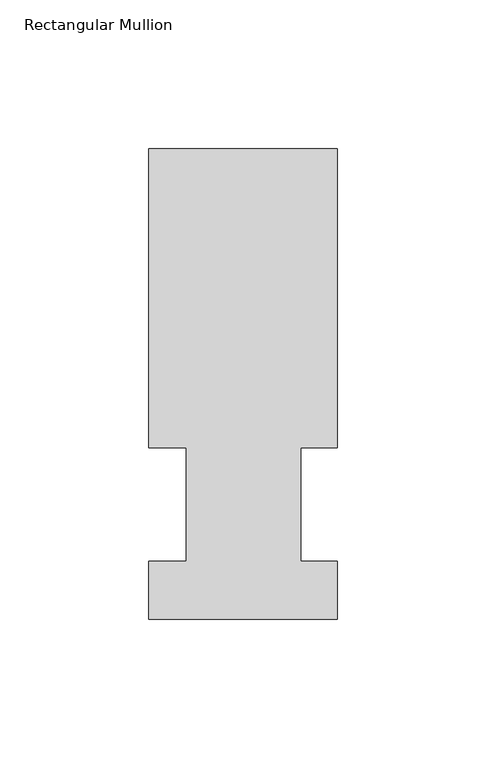
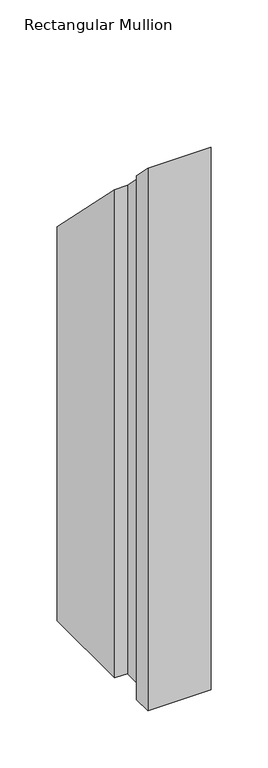
"""IFC4 building model written with IfcOpenShell, lengths in millimetres: member geometry, Rectangular Mullion."""

from ifc_helpers import new_model, si_unit, origin, place, context, project, spatial, faceted_brep, source, transform, mapped, element, save


def rectangular_mullion_2e0facb8(model_context):
    return source(origin(), model_context, "Body", "Brep", [
        faceted_brep([(-63.5, 57.6460937, -577.85), (-63.5, 158.3316937, -577.85), (0.0, 158.3316937, -577.85), (0.0, 57.6460937, -577.85), (-12.3418395, 57.6460937, -577.85), (-12.3418395, 19.5460937, -577.85), (0.0, 19.5460937, -577.85), (0.0, 0.0134937, -577.85), (-63.5, 0.0134937, -577.85), (-63.5, 19.5460937, -577.85), (-50.8, 19.5460937, -577.85), (-50.8, 57.6460937, -577.85), (-50.8, 57.6460937, -57.6460937), (-63.5, 57.6460937, -57.6460937), (-50.8, 19.5460937, -19.5460937), (-63.5, 19.5460937, -19.5460937), (-63.5, 0.0134937, -0.0134937), (0.0, 0.0134937, -0.0134937), (0.0, 19.5460937, -19.5460937), (-12.3418395, 19.5460937, -19.5460937), (-12.3418395, 57.6460937, -57.6460937), (0.0, 57.6460938, -57.6460937), (0.0, 158.3316937, -158.3316937), (-63.5, 158.3316937, -158.3316937)], [[[0, 1, 2, 3, 4, 5, 6, 7, 8, 9, 10, 11]], [[12, 13, 0, 11]], [[14, 12, 11, 10]], [[15, 14, 10, 9]], [[16, 15, 9, 8]], [[17, 16, 8, 7]], [[18, 17, 7, 6]], [[19, 18, 6, 5]], [[20, 19, 5, 4]], [[21, 20, 4, 3]], [[22, 21, 3, 2]], [[23, 22, 2, 1]], [[13, 23, 1, 0]], [[13, 12, 14, 15, 16, 17, 18, 19, 20, 21, 22, 23]]]),
    ])


if __name__ == "__main__":
    model = new_model("IFC4")
    model_context = context("Model", 3, world=origin())
    ifc_project = project(units=[si_unit("LENGTHUNIT", "METRE", prefix="MILLI")], contexts=[model_context])
    site = spatial("IfcSite", under=ifc_project)
    building = spatial("IfcBuilding", under=site)
    placement = place(None, origin())
    rectangular_mullion_shape = rectangular_mullion_2e0facb8(model_context)
    element("IfcMember", 1, ObjectType="Rectangular Mullion", at=placement, inside=building, context=model_context, shape_type="MappedRepresentation", body=[
        mapped(rectangular_mullion_shape, transform((0.0, 0.0, 0.0), x_axis=(1.0, 0.0, 0.0), y_axis=(0.0, 1.0, 0.0), z_axis=(0.0, 0.0, 1.0))),
    ])
    save(model, "model.ifc")
